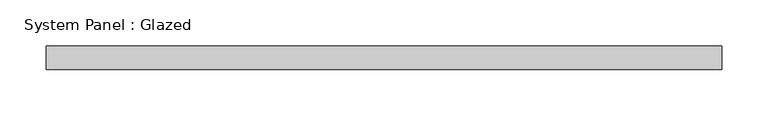
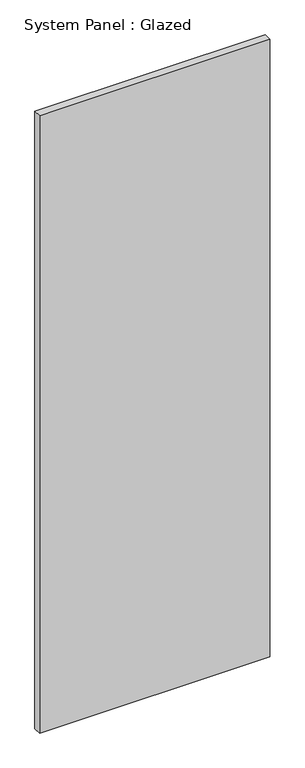
"""IFC4 building model written with IfcOpenShell, lengths in millimetres: plate geometry, System Panel : Glazed."""

from ifc_helpers import new_model, si_unit, origin, origin_with_axes, place, context, project, spatial, polyline, outline, extrude, source, transform, mapped, element, save


def system_panel_glazed_41c6211a(model_context):
    return source(origin(), model_context, "Body", "SweptSolid", [
        extrude(outline(polyline([(366.1833333, 19.05), (-366.1833333, 19.05), (-366.1833333, 44.45), (366.1833333, 44.45), (366.1833333, 19.05)])), origin_with_axes(), (0.0, 0.0, 1.0), 2076.45),
    ])


if __name__ == "__main__":
    model = new_model("IFC4")
    model_context = context("Model", 3, world=origin())
    ifc_project = project(units=[si_unit("LENGTHUNIT", "METRE", prefix="MILLI")], contexts=[model_context])
    site = spatial("IfcSite", under=ifc_project)
    building = spatial("IfcBuilding", under=site)
    placement = place(None, origin())
    system_panel_glazed_shape = system_panel_glazed_41c6211a(model_context)
    element("IfcPlate", 1, ObjectType="System Panel : Glazed", at=placement, inside=building, context=model_context, shape_type="MappedRepresentation", body=[
        mapped(system_panel_glazed_shape, transform((0.0, 0.0, 0.0), x_axis=(1.0, 0.0, 0.0), y_axis=(0.0, 1.0, 0.0), z_axis=(0.0, 0.0, 1.0))),
    ])
    save(model, "model.ifc")
